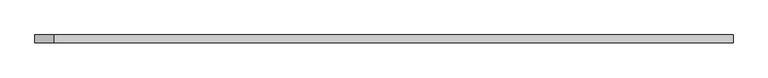
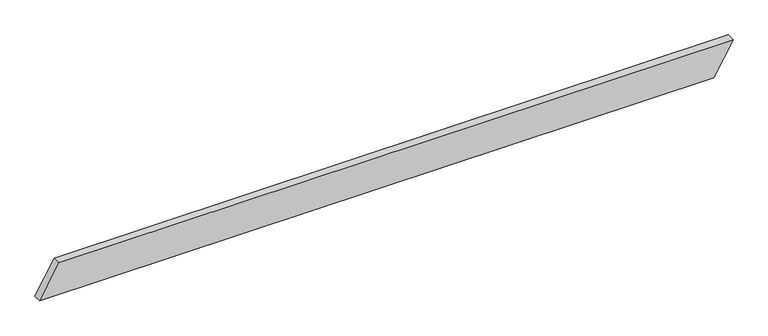
"""IFC4 building model written with IfcOpenShell, lengths in millimetres: beam geometry."""

import ifcopenshell
import ifcopenshell.guid

model = None  # the IFC model being written
_history = None  # IfcOwnerHistory: only IFC2X3 demands one
_inside = {}  # id of a spatial element -> (the spatial element, [elements in it])
_under = {}  # id of a project, library or spatial element -> (it, [spatial elements below it])
_declared = {}  # id of a project -> (the project, [libraries it declares])
_typed = {}  # id of a type object -> (the type object, [elements of that type])
_made_of = {}  # id of a material, layer set ... -> (it, [elements and type objects made of it])


def new_model(schema):
    """Start an empty IFC model of exactly this schema.

    Asked for "IFC4X3", IfcOpenShell would pick the latest addendum, in which some entities
    have other attributes; the version numbers below select the first issue.
    IFC2X3 requires an IfcOwnerHistory on every rooted entity: one is made here for all.
    """
    global model, _history
    if schema == "IFC4X3":
        model = ifcopenshell.file(schema_version=(4, 3, 0, 0))
    else:
        model = ifcopenshell.file(schema=schema)
    _inside.clear()
    _under.clear()
    _declared.clear()
    _typed.clear()
    _made_of.clear()
    _history = None
    if model.schema == "IFC2X3":
        org = make("IfcOrganization", Name="unknown")
        user = make(
            "IfcPersonAndOrganization",
            ThePerson=make("IfcPerson", FamilyName="unknown"),
            TheOrganization=org,
        )
        app = make(
            "IfcApplication",
            ApplicationDeveloper=org,
            Version="unknown",
            ApplicationFullName="unknown",
            ApplicationIdentifier="unknown",
        )
        _history = make(
            "IfcOwnerHistory",
            OwningUser=user,
            OwningApplication=app,
            ChangeAction="ADDED",
            CreationDate=0,
        )
    return model


def make(cls, **values):
    """One entity of the class cls with the attributes given. An attribute that is None is left unset."""
    return model.create_entity(
        cls, **{name: value for name, value in values.items() if value is not None}
    )


def rooted(cls, **values):
    """An entity with a GlobalId (a new one), such as an element, a storey or a relation."""
    return make(cls, GlobalId=ifcopenshell.guid.new(), OwnerHistory=_history, **values)


def si_unit(unit_type, name, prefix=None):
    """IfcSIUnit, for example si_unit("LENGTHUNIT", "METRE", prefix="MILLI")."""
    return make("IfcSIUnit", UnitType=unit_type, Prefix=prefix, Name=name)


def assignment(units):
    """IfcUnitAssignment: the units of a project."""
    return None if units is None else make("IfcUnitAssignment", Units=units)


def point(xyz):
    """IfcCartesianPoint."""
    return None if xyz is None else make("IfcCartesianPoint", Coordinates=xyz)


def direction(xyz):
    """IfcDirection."""
    return None if xyz is None else make("IfcDirection", DirectionRatios=xyz)


def frame(location, z_axis=None, x_axis=None):
    """IfcAxis2Placement3D, a coordinate frame: its origin and axes. An axis left out is left unset."""
    return make(
        "IfcAxis2Placement3D",
        Location=point(location),
        Axis=direction(z_axis),
        RefDirection=direction(x_axis),
    )


def origin():
    """The frame at (0, 0, 0) with its axes left unset."""
    return frame((0.0, 0.0, 0.0))


def place(relative_to, where):
    """IfcLocalPlacement: puts the frame where relative to a parent placement (None: the world)."""
    return make(
        "IfcLocalPlacement", PlacementRelTo=relative_to, RelativePlacement=where
    )


def context(
    kind, dimensions, precision=None, world=None, true_north=None, identifier=None
):
    """IfcGeometricRepresentationContext, for example the 3D "Model" context."""
    return make(
        "IfcGeometricRepresentationContext",
        ContextIdentifier=identifier,
        ContextType=kind,
        CoordinateSpaceDimension=dimensions,
        Precision=precision,
        WorldCoordinateSystem=world,
        TrueNorth=true_north,
    )


def project(units=None, contexts=None):
    """IfcProject with its units and contexts."""
    return rooted(
        "IfcProject",
        Name="project",
        RepresentationContexts=contexts,
        UnitsInContext=assignment(units),
    )


def spatial(cls, under=None, at=None, **own):
    """A site, building, storey or space (cls), placed at a placement, below another one or the project."""
    s = rooted(cls, ObjectPlacement=at, **own)
    if under is not None:
        _under.setdefault(under.id(), (under, []))[1].append(s)
    return s


def polyline(points):
    """IfcPolyline through the points."""
    return make("IfcPolyline", Points=[point(p) for p in points])


def outline(outer, holes=None, kind="AREA"):
    """IfcArbitraryClosedProfileDef: a profile drawn as a closed curve; with holes, ...WithVoids."""
    if holes is None:
        return make("IfcArbitraryClosedProfileDef", ProfileType=kind, OuterCurve=outer)
    return make(
        "IfcArbitraryProfileDefWithVoids",
        ProfileType=kind,
        OuterCurve=outer,
        InnerCurves=holes,
    )


def extrude(swept, where, along, depth):
    """IfcExtrudedAreaSolid: the profile swept, set in the frame where, extruded along a direction by depth."""
    return make(
        "IfcExtrudedAreaSolid",
        SweptArea=swept,
        Position=where,
        ExtrudedDirection=direction(along),
        Depth=depth,
    )


def shape(context_of_items, identifier, shape_type, items):
    """IfcShapeRepresentation: the items that make up one representation, for example the "Body"."""
    return make(
        "IfcShapeRepresentation",
        ContextOfItems=context_of_items,
        RepresentationIdentifier=identifier,
        RepresentationType=shape_type,
        Items=items,
    )


def source(mapping_origin, context_of_items, identifier, shape_type, items):
    """IfcRepresentationMap: a shape defined once, which mapped items show again and again."""
    return make(
        "IfcRepresentationMap",
        MappingOrigin=mapping_origin,
        MappedRepresentation=shape(context_of_items, identifier, shape_type, items),
    )


def transform(
    local_origin,
    x_axis=None,
    y_axis=None,
    z_axis=None,
    scale=None,
    scale2=None,
    scale3=None,
    uniform=True,
):
    """IfcCartesianTransformationOperator3D, or its non-uniform kind. x_axis, y_axis, z_axis: its Axis1, 2, 3."""
    if uniform:
        return make(
            "IfcCartesianTransformationOperator3D",
            Axis1=direction(x_axis),
            Axis2=direction(y_axis),
            LocalOrigin=point(local_origin),
            Scale=scale,
            Axis3=direction(z_axis),
        )
    return make(
        "IfcCartesianTransformationOperator3DnonUniform",
        Axis1=direction(x_axis),
        Axis2=direction(y_axis),
        LocalOrigin=point(local_origin),
        Scale=scale,
        Axis3=direction(z_axis),
        Scale2=scale2,
        Scale3=scale3,
    )


def mapped(mapping_source, mapping_target):
    """IfcMappedItem: shows the shape of a source again, moved by a transform."""
    return make(
        "IfcMappedItem", MappingSource=mapping_source, MappingTarget=mapping_target
    )


def made_of(thing, what):
    """Note that an element or type object is made of a material, layer set ...; save() writes the relation."""
    if what is not None:
        _made_of.setdefault(what.id(), (what, []))[1].append(thing)
    return thing


def element(
    cls,
    number,
    at=None,
    inside=None,
    cuts=None,
    type_object=None,
    material=None,
    context=None,
    identifier="Body",
    shape_type=None,
    held_by="IfcProductDefinitionShape",
    body=None,
    shapes=None,
    **own,
):
    """One element of the class cls, such as IfcWall. Its Tag is "e" and its number.

    at: its placement. inside: the storey or other place that contains it. cuts: it is an
    opening in that element (IfcRelVoidsElement). A single representation is given by context,
    identifier, shape_type and body (its items); several are given by shapes. held_by: the class
    of the entity that holds the representations. save() writes the other relations.
    """
    e = rooted(cls, Tag="e%d" % number, ObjectPlacement=at, **own)
    if body is not None:
        shapes = [shape(context, identifier, shape_type, body)]
    if shapes is not None:
        e.Representation = make(held_by, Representations=shapes)
    if inside is not None:
        _inside.setdefault(inside.id(), (inside, []))[1].append(e)
    if cuts is not None:
        rooted(
            "IfcRelVoidsElement", RelatingBuildingElement=cuts, RelatedOpeningElement=e
        )
    if type_object is not None:
        _typed.setdefault(type_object.id(), (type_object, []))[1].append(e)
    return made_of(e, material)


def aggregate(whole, parts):
    """IfcRelAggregates: a whole, such as a stair, and the parts it consists of."""
    return rooted("IfcRelAggregates", RelatingObject=whole, RelatedObjects=parts)


def save(model, path):
    """Write the relations noted so far, then the file.

    IfcRelAggregates (storeys below a building ...), IfcRelContainedInSpatialStructure (elements
    in a storey), IfcRelDefinesByType, IfcRelAssociatesMaterial and IfcRelDeclares: one each for
    every whole, place, type object, material and project.
    """
    for whole, parts in _under.values():
        aggregate(whole, parts)
    for where, things in _inside.values():
        rooted(
            "IfcRelContainedInSpatialStructure",
            RelatedElements=things,
            RelatingStructure=where,
        )
    for kind, things in _typed.values():
        rooted("IfcRelDefinesByType", RelatedObjects=things, RelatingType=kind)
    for what, things in _made_of.values():
        rooted("IfcRelAssociatesMaterial", RelatedObjects=things, RelatingMaterial=what)
    for by, libraries in _declared.values():
        rooted("IfcRelDeclares", RelatingContext=by, RelatedDefinitions=libraries)
    model.write(path)


def beam_9db4dee4(model_context):
    return source(origin(), model_context, "Body", "SweptSolid", [
        extrude(outline(polyline([(100.0, 2073.2648167), (100.0, -1957.7947628), (-100.0, -2073.2648167), (-100.0, 1957.7947628), (100.0, 2073.2648167)])), frame((0.0, -24.0, 0.0), z_axis=(0.0, 1.0, 0.0), x_axis=(0.0, 0.0, 1.0)), (0.0, 0.0, 1.0), 48.0),
    ])


if __name__ == "__main__":
    model = new_model("IFC4")
    model_context = context("Model", 3, world=origin())
    ifc_project = project(units=[si_unit("LENGTHUNIT", "METRE", prefix="MILLI")], contexts=[model_context])
    site = spatial("IfcSite", under=ifc_project)
    building = spatial("IfcBuilding", under=site)
    placement = place(None, origin())
    beam_shape = beam_9db4dee4(model_context)
    element("IfcBeam", 1, at=placement, inside=building, context=model_context, shape_type="MappedRepresentation", body=[
        mapped(beam_shape, transform((0.0, 0.0, 0.0), x_axis=(1.0, 0.0, 0.0), y_axis=(0.0, 1.0, 0.0), z_axis=(0.0, 0.0, 1.0))),
    ])
    save(model, "model.ifc")
